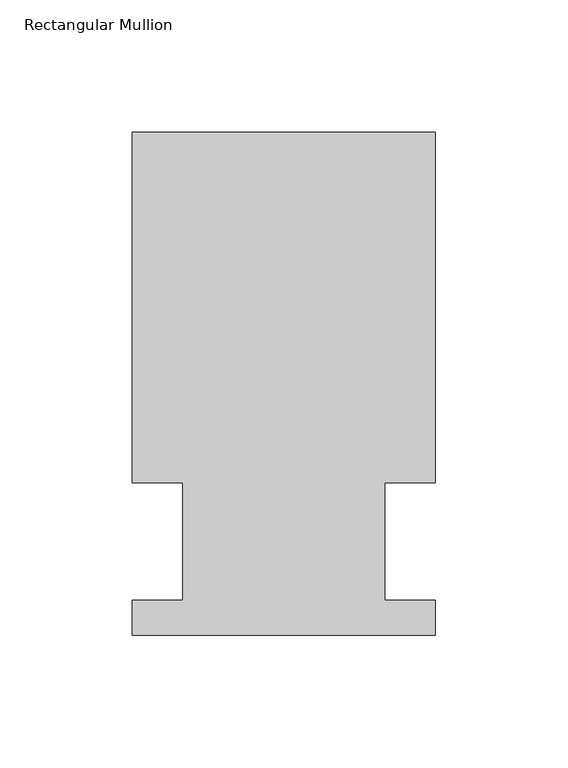
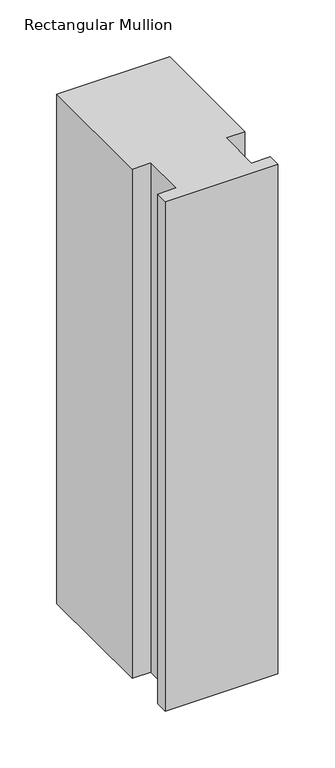
"""IFC4 building model written with IfcOpenShell, lengths in millimetres: member geometry, Rectangular Mullion."""

from ifc_helpers import new_model, si_unit, frame, origin, place, context, project, spatial, polyline, outline, extrude, source, transform, mapped, element, save


def rectangular_mullion_94b2319a(model_context):
    return source(origin(), model_context, "Body", "SweptSolid", [
        extrude(outline(polyline([(-114.3, 189.8022937), (0.0, 189.8022937), (0.0, 57.6460937), (-19.0372999, 57.6460938), (-19.0372999, 13.1960937), (0.0, 13.1960937), (0.0, 0.0231006), (-114.3, 0.0231006), (-114.3, 13.1960937), (-95.25, 13.1960937), (-95.25, 57.6460937), (-114.3, 57.6460938), (-114.3, 189.8022937)])), frame((0.0, 0.0, -546.1), z_axis=(0.0, 0.0, 1.0), x_axis=(1.0, 0.0, 0.0)), (0.0, 0.0, 1.0), 546.1),
    ])


if __name__ == "__main__":
    model = new_model("IFC4")
    model_context = context("Model", 3, world=origin())
    ifc_project = project(units=[si_unit("LENGTHUNIT", "METRE", prefix="MILLI")], contexts=[model_context])
    site = spatial("IfcSite", under=ifc_project)
    building = spatial("IfcBuilding", under=site)
    placement = place(None, origin())
    rectangular_mullion_shape = rectangular_mullion_94b2319a(model_context)
    element("IfcMember", 1, ObjectType="Rectangular Mullion", at=placement, inside=building, context=model_context, shape_type="MappedRepresentation", body=[
        mapped(rectangular_mullion_shape, transform((0.0, 0.0, 0.0), x_axis=(1.0, 0.0, 0.0), y_axis=(0.0, 1.0, 0.0), z_axis=(0.0, 0.0, 1.0))),
    ])
    save(model, "model.ifc")
